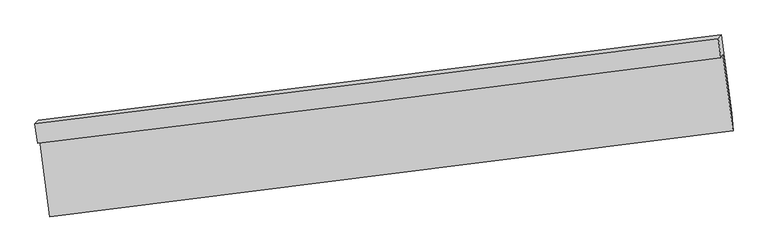
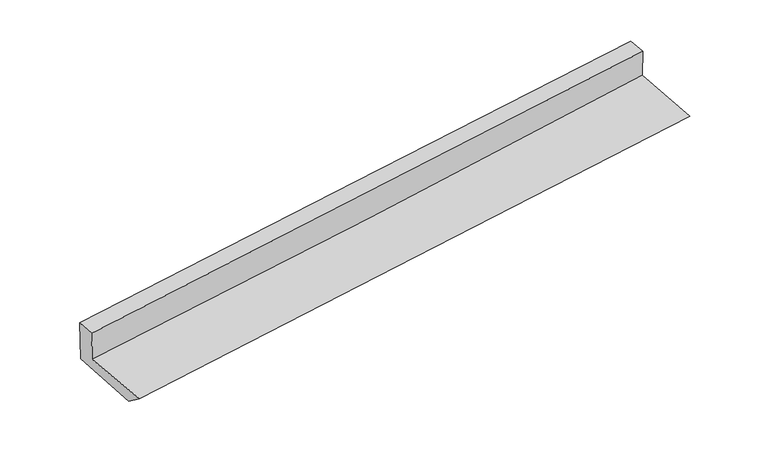
"""IFC4 building model written with IfcOpenShell, lengths in millimetres: proxy geometry."""

from ifc_helpers import new_model, si_unit, frame, origin, place, context, project, spatial, source, transform, mapped, element, save
from ifc_brep_helpers import plane_surface, spline_curve, spline_surface, advanced_brep


def generic_models_2697e03c(model_context):
    return source(origin(), model_context, "Body", "AdvancedBrep", [
        advanced_brep(
        [(-3007.2833641, -1877.8710985, 1684.2003008), (-2919.9395032, -2545.4905351, 1640.0740327), (3050.7882673, -1792.3720559, 2092.5025803), (2961.3156739, -1117.3346582, 2151.9021826), (-3027.3944389, -1903.5869685, 1982.1240237), (2943.9668094, -1155.4366159, 2434.4347501), (-3050.0817489, -1733.9470729, 1999.6353291), (2921.9388465, -990.7268585, 2451.4371354), (-3021.5834494, -1702.8854314, 1586.0901803), (2948.4483378, -956.5490683, 2058.27828), (-2930.6009393, -2383.1892475, 1515.8649076), (3040.0662766, -1641.6041776, 1987.5625487)],
        [
            (0, 1),
            (1, 2, spline_curve(3, [(-2919.9395032, -2545.4905351, 1640.0740327), (-1924.791683616, -2421.757252408, 1718.05085797), (-929.658876232, -2297.130961959, 1794.741521705), (1060.583714082, -2046.091481215, 1945.551055444), (2055.693496781, -1919.678279054, 2019.669907743), (3050.7882673, -1792.3720559, 2092.5025803)], [4, 2, 4], [0.0, 9.899964341882619, 19.799998314062577])),
            (2, 3),
            (3, 0, spline_curve(3, [(2961.3156739, -1117.3346582, 2151.9021826), (1968.177945726, -1253.711102399, 2068.637245955), (974.224076465, -1385.277566912, 1988.029493139), (-1015.30894791, -1638.789646366, 1832.128903314), (-2010.888091259, -1760.735328265, 1756.836028978), (-3007.2833641, -1877.8710985, 1684.2003008)], [4, 2, 4], [0.0, 9.900033972179958, 19.799998314062577])),
            (4, 0),
            (3, 5),
            (5, 4, spline_curve(3, [(2943.9668094, -1155.4366159, 2434.4347501), (1948.986845012, -1283.557321612, 2361.442971008), (953.88167478, -1409.963750527, 2287.254383912), (-1036.572076387, -1659.34717747, 2136.484124899), (-2031.920655863, -1782.324199396, 2059.902469625), (-3027.3944389, -1903.5869685, 1982.1240237)], [4, 2, 4], [0.0, 9.900045536129683, 19.800021441880695])),
            (6, 4),
            (5, 7),
            (7, 6, spline_curve(3, [(2921.9388465, -990.7268585, 2451.4371354), (1926.62920818, -1116.382492305, 2378.699816677), (931.304255747, -1241.145542083, 2304.680869643), (-1059.369276381, -1488.885600694, 2154.080249572), (-2054.717855638, -1611.862622668, 2077.498594269), (-3050.0817489, -1733.9470729, 1999.6353291)], [4, 2, 4], [0.0, 9.90002139500311, 19.79997315979734])),
            (8, 6),
            (7, 9),
            (9, 8, spline_curve(3, [(2948.4483378, -956.5490683, 2058.27828), (1953.701139819, -1080.532847974, 1975.681216479), (958.823142193, -1204.719654213, 1895.033544681), (-1031.187455558, -1453.498444511, 1737.637539031), (-2026.32005345, -1578.090426271, 1660.889177241), (-3021.5834494, -1702.8854314, 1586.0901803)], [4, 2, 4], [0.0, 9.899978873858526, 19.799888117807235])),
            (10, 8),
            (9, 11),
            (11, 10, spline_curve(3, [(3040.0662766, -1641.6041776, 1987.5625487), (2044.993762291, -1763.15546799, 1905.21658207), (1049.900153953, -1885.730089836, 1824.735330151), (-940.322251374, -2132.925127658, 1667.502809585), (-1935.451048579, -2257.545528983, 1590.751514166), (-2930.6009393, -2383.1892475, 1515.8649076)], [4, 2, 4], [0.0, 9.899996199667635, 19.799922769303596])),
            (1, 10),
            (11, 2),
        ],
        [
            spline_surface(3, 3, [[(-3007.2833641, -1877.8710985, 1684.2003008), (-2010.888091152, -1760.735328223, 1756.836028817), (-1015.308947792, -1638.789646201, 1832.12890328), (974.224076347, -1385.277567077, 1988.029493172), (1968.177945669, -1253.711102368, 2068.63724597), (2961.3156739, -1117.3346582, 2151.9021826)], [(-2978.168743819, -2100.410910695, 1669.491544779), (-1982.189288712, -1981.075969668, 1743.907638551), (-986.75892396, -1858.23675143, 1819.666442721), (1003.010622258, -1605.548871843, 1973.870013965), (1997.349796022, -1475.700161252, 2052.314799917), (2991.139871685, -1342.347124104, 2132.102315164)], [(-2949.054123481, -2322.950722905, 1654.782788721), (-1953.490486214, -2201.416611127, 1730.979248247), (-958.208900095, -2077.683856615, 1807.20398216), (1031.797168202, -1825.820176565, 1959.710534756), (2026.52164642, -1697.689220125, 2035.992353871), (3020.964069515, -1567.359589996, 2112.302447736)], [(-2919.9395032, -2545.4905351, 1640.0740327), (-1924.791683773, -2421.757252572, 1718.050857981), (-929.658876262, -2297.130961844, 1794.741521601), (1060.583714113, -2046.09148133, 1945.551055548), (2055.693496774, -1919.678279009, 2019.669907818), (3050.7882673, -1792.3720559, 2092.5025803)]], [4, 4], [4, 2, 4], [0.0, 2.186216696628393], [0.0, 9.899964341882619, 19.799998314062577]),
            spline_surface(3, 3, [[(-3027.3944389, -1903.5869685, 1982.1240237), (-2031.920655768, -1782.324199398, 2059.902469763), (-1036.572076402, -1659.347177369, 2136.484124922), (953.881674795, -1409.963750629, 2287.254383889), (1948.986844858, -1283.557321766, 2361.442970866), (2943.9668094, -1155.4366159, 2434.4347501)], [(-3020.690747273, -1895.015011842, 1882.816116071), (-2024.909800869, -1775.127909015, 1958.880322785), (-1029.484366852, -1652.494666969, 2035.032384344), (960.662475326, -1401.735022767, 2187.512753619), (1955.383878479, -1273.608581946, 2263.841062576), (2949.749764251, -1142.735963313, 2340.257227609)], [(-3013.987055727, -1886.443055158, 1783.508208429), (-2017.898946051, -1767.931618606, 1857.858175795), (-1022.396657342, -1645.642156602, 1933.580643859), (967.443275816, -1393.506294939, 2087.771123442), (1961.780912047, -1263.659842188, 2166.23915426), (2955.532719049, -1130.035310787, 2246.079705091)], [(-3007.2833641, -1877.8710985, 1684.2003008), (-2010.888091152, -1760.735328223, 1756.836028817), (-1015.308947792, -1638.789646201, 1832.12890328), (974.224076347, -1385.277567077, 1988.029493172), (1968.177945669, -1253.711102368, 2068.63724597), (2961.3156739, -1117.3346582, 2151.9021826)]], [4, 4], [4, 2, 4], [0.0, 0.9952455328509408], [0.0, 9.899975905751011, 19.800021441880695]),
            spline_surface(3, 3, [[(-3050.0817489, -1733.9470729, 1999.6353291), (-2054.71785579, -1611.862622782, 2077.498594286), (-1059.369276324, -1488.885600854, 2154.080249545), (931.30425569, -1241.145541923, 2304.680869669), (1926.629208027, -1116.382492424, 2378.699816519), (2921.9388465, -990.7268585, 2451.4371354)], [(-3042.519312263, -1790.49370476, 1993.798227281), (-2047.118789146, -1668.683148314, 2071.633219426), (-1051.77020968, -1545.706126386, 2148.214874686), (938.830062061, -1297.418278185, 2298.87204109), (1934.081753612, -1172.107435563, 2372.947534619), (2929.281500774, -1045.630110992, 2445.769673618)], [(-3034.956875537, -1847.04033664, 1987.961125519), (-2039.519722412, -1725.503673866, 2065.767844623), (-1044.171143046, -1602.526651837, 2142.349499782), (946.355868423, -1353.691014367, 2293.063212468), (1941.534299273, -1227.832378627, 2367.195252766), (2936.624155126, -1100.533363408, 2440.102211882)], [(-3027.3944389, -1903.5869685, 1982.1240237), (-2031.920655768, -1782.324199398, 2059.902469763), (-1036.572076402, -1659.347177369, 2136.484124922), (953.881674795, -1409.963750629, 2287.254383889), (1948.986844858, -1283.557321766, 2361.442970866), (2943.9668094, -1155.4366159, 2434.4347501)]], [4, 4], [4, 2, 4], [0.0, 0.5644479899459017], [0.0, 9.89995176479423, 19.79997315979734]),
            spline_surface(3, 3, [[(-3021.5834494, -1702.8854314, 1586.0901803), (-2026.320053342, -1578.090426177, 1660.889177316), (-1031.187455474, -1453.498444647, 1737.63753895), (958.823142108, -1204.719654077, 1895.033544762), (1953.701139956, -1080.532847936, 1975.681216361), (2948.4483378, -956.5490683, 2058.27828)], [(-3031.082882547, -1713.239311898, 1723.938563248), (-2035.785987471, -1589.347825044, 1799.758982987), (-1040.581395753, -1465.294163363, 1876.451775833), (949.650179973, -1216.861616673, 2031.582653083), (1944.677162656, -1092.482729425, 2110.020749756), (2939.61184071, -967.941665026, 2189.331231809)], [(-3040.582315753, -1723.593192402, 1861.786946152), (-2045.251921661, -1600.605223916, 1938.628788615), (-1049.975336045, -1477.089882137, 2015.266012662), (940.477217825, -1229.003579327, 2168.131761348), (1935.653185327, -1104.432610935, 2244.360283124), (2930.77534359, -979.334261774, 2320.384183591)], [(-3050.0817489, -1733.9470729, 1999.6353291), (-2054.71785579, -1611.862622782, 2077.498594286), (-1059.369276324, -1488.885600854, 2154.080249545), (931.30425569, -1241.145541923, 2304.680869669), (1926.629208027, -1116.382492424, 2378.699816519), (2921.9388465, -990.7268585, 2451.4371354)]], [4, 4], [4, 2, 4], [0.0, 1.3633107198791452], [0.0, 9.89990924394871, 19.799888117807235]),
            spline_surface(3, 3, [[(-2930.6009393, -2383.1892475, 1515.8649076), (-1935.451048508, -2257.545528986, 1590.751514182), (-940.322251517, -2132.925127595, 1667.502809468), (1049.900154096, -1885.730089899, 1824.735330269), (2044.993762372, -1763.155467993, 1905.216582021), (3040.0662766, -1641.6041776, 1987.5625487)], [(-2960.928442656, -2156.42130882, 1539.273331829), (-1965.740716775, -2031.060494737, 1614.130735223), (-970.610652847, -1906.449566619, 1690.881052617), (1019.541150089, -1658.726611298, 1848.168068422), (2014.562888237, -1535.614594648, 1928.704793466), (3009.52696367, -1413.252474508, 2011.134459132)], [(-2991.255946044, -1929.65337008, 1562.681756071), (-1996.030385075, -1804.575460427, 1637.509956276), (-1000.899054144, -1679.974005623, 1714.259295801), (989.182146115, -1431.723132678, 1871.600806609), (1984.132014091, -1308.073721281, 1952.193004916), (2978.98765073, -1184.900771392, 2034.706369568)], [(-3021.5834494, -1702.8854314, 1586.0901803), (-2026.320053342, -1578.090426177, 1660.889177316), (-1031.187455474, -1453.498444647, 1737.63753895), (958.823142108, -1204.719654077, 1895.033544762), (1953.701139956, -1080.532847936, 1975.681216361), (2948.4483378, -956.5490683, 2058.27828)]], [4, 4], [4, 2, 4], [0.0, 2.2633120588037263], [0.0, 9.89992656963596, 19.799922769303596]),
            spline_surface(3, 3, [[(-2919.9395032, -2545.4905351, 1640.0740327), (-1924.791683773, -2421.757252572, 1718.050857981), (-929.658876262, -2297.130961844, 1794.741521601), (1060.583714113, -2046.09148133, 1945.551055548), (2055.693496774, -1919.678279009, 2019.669907818), (3050.7882673, -1792.3720559, 2092.5025803)], [(-2923.493315242, -2491.390105884, 1598.670990992), (-1928.34480536, -2367.020011361, 1675.617743373), (-933.21333468, -2242.395683744, 1752.328617566), (1057.022527442, -1992.637684169, 1905.279147131), (2052.12691865, -1867.504008662, 1981.51879922), (3047.21427041, -1742.116096458, 2057.522569768)], [(-2927.047127258, -2437.289676716, 1557.267949308), (-1931.897926921, -2312.282770197, 1633.18462879), (-936.7677931, -2187.660405695, 1709.915713503), (1053.461340767, -1939.18388706, 1865.007238686), (2048.560340496, -1815.32973834, 1943.367690619), (3043.64027349, -1691.860137042, 2022.542559232)], [(-2930.6009393, -2383.1892475, 1515.8649076), (-1935.451048508, -2257.545528986, 1590.751514182), (-940.322251517, -2132.925127595, 1667.502809468), (1049.900154096, -1885.730089899, 1824.735330269), (2044.993762372, -1763.155467993, 1905.216582021), (3040.0662766, -1641.6041776, 1987.5625487)]], [4, 4], [4, 2, 4], [0.0, 0.6710310981218838], [0.0, 9.89990558569698, 19.799880801278043]),
            plane_surface(frame((2977.7540353, -1275.6705724, 2196.0195795), z_axis=(0.9892137126548738, 0.12429498719582635, 0.07750475374807887), x_axis=(-0.0670225400253861, -0.08640989322692329, 0.9940026707615314))),
            plane_surface(frame((-2992.8139073, -2024.495059, 1734.6647957), z_axis=(-0.9892137126550844, -0.1242949871962521, -0.07750475374470636), x_axis=(-0.12944565449297263, 0.9894276951678093, 0.06539616630814572))),
        ],
        [
            (0, [[1, 2, 3, 4]]),
            (1, [[5, -4, 6, 7]]),
            (2, [[8, -7, 9, 10]]),
            (3, [[11, -10, 12, 13]]),
            (4, [[14, -13, 15, 16]]),
            (5, [[17, -16, 18, -2]]),
            (6, [[-12, -9, -6, -3, -18, -15]]),
            (7, [[-1, -5, -8, -11, -14, -17]]),
        ],
    ),
    ])


if __name__ == "__main__":
    model = new_model("IFC4")
    model_context = context("Model", 3, world=origin())
    ifc_project = project(units=[si_unit("LENGTHUNIT", "METRE", prefix="MILLI")], contexts=[model_context])
    site = spatial("IfcSite", under=ifc_project)
    building = spatial("IfcBuilding", under=site)
    placement = place(None, origin())
    generic_models_shape = generic_models_2697e03c(model_context)
    element("IfcBuildingElementProxy", 1, Name="Generic Models", at=placement, inside=building, context=model_context, shape_type="MappedRepresentation", body=[
        mapped(generic_models_shape, transform((0.0, 0.0, 0.0), x_axis=(1.0, 0.0, 0.0), y_axis=(0.0, 1.0, 0.0), z_axis=(0.0, 0.0, 1.0))),
    ])
    save(model, "model.ifc")
